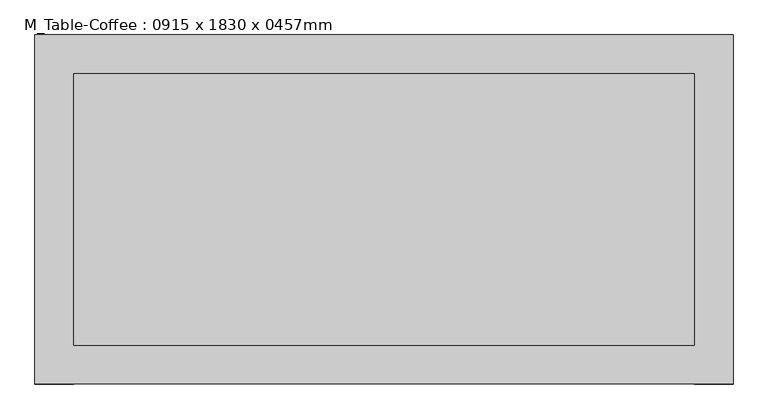
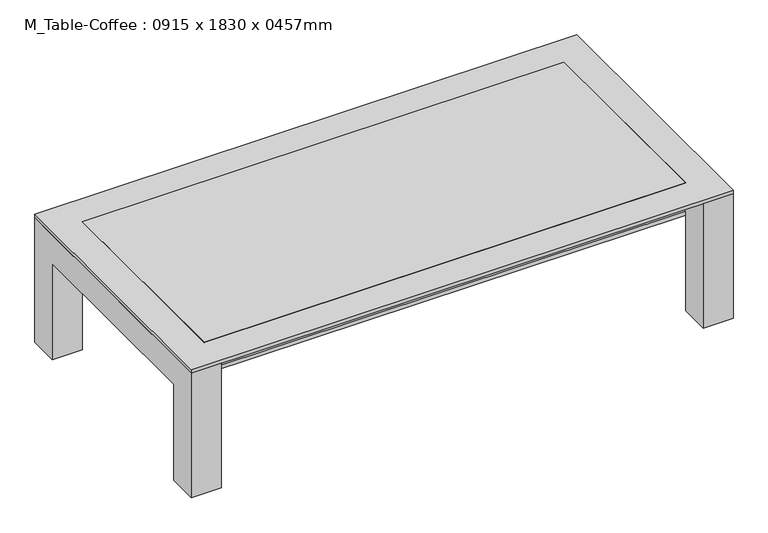
"""IFC4 building model written with IfcOpenShell, lengths in millimetres: furniture geometry, M_Table-Coffee : 0915 x 1830 x 0457mm."""

from ifc_helpers import new_model, si_unit, frame, origin, place, context, project, spatial, polyline, outline, extrude, source, transform, mapped, element, save


def m_table_coffee_0915_x_1830_x_0457mm_134cd960(model_context):
    return source(origin(), model_context, "Body", "SweptSolid", [
        extrude(outline(polyline([(831.6657667, 451.1110778), (831.6657667, -260.6889222), (-795.1342333, -260.6889222), (-795.1342333, 451.1110778), (831.6657667, 451.1110778)])), frame((0.0, 0.0, 342.7), z_axis=(0.0, 0.0, 1.0), x_axis=(1.0, 0.0, 0.0)), (0.0, 0.0, 1.0), 12.7),
        extrude(outline(polyline([(552.7110778, 0.0), (451.1110778, 0.0), (451.1110778, 342.7), (-260.6889222, 342.7), (-260.6889222, 0.0), (-362.2889222, 0.0), (-362.2889222, 444.3), (552.7110778, 444.3), (552.7110778, 0.0)])), frame((831.6657667, 0.0, 0.0), z_axis=(1.0, 0.0, 0.0), x_axis=(0.0, 1.0, 0.0)), (0.0, 0.0, 1.0), 101.6),
        extrude(outline(polyline([(552.7110778, 444.3), (552.7110778, 0.0), (451.1110778, 0.0), (451.1110778, 342.7), (-260.6889222, 342.7), (-260.6889222, 0.0), (-362.2889222, 0.0), (-362.2889222, 444.3), (552.7110778, 444.3)])), frame((-896.7342333, 0.0, 0.0), z_axis=(1.0, 0.0, 0.0), x_axis=(0.0, 1.0, 0.0)), (0.0, 0.0, 1.0), 101.6),
        extrude(outline(polyline([(831.6657667, 451.1110778), (831.6657667, -260.6889222), (-795.1342333, -260.6889222), (-795.1342333, 451.1110778), (831.6657667, 451.1110778)])), frame((0.0, 0.0, 444.3), z_axis=(0.0, 0.0, 1.0), x_axis=(1.0, 0.0, 0.0)), (0.0, 0.0, 1.0), 12.7),
        extrude(outline(polyline([(933.2657667, 552.7110778), (933.2657667, -362.2889222), (-896.7342333, -362.2889222), (-896.7342333, 552.7110778), (933.2657667, 552.7110778)]), holes=[polyline([(831.6657667, 451.1110778), (-795.1342333, 451.1110778), (-795.1342333, -260.6889222), (831.6657667, -260.6889222), (831.6657667, 451.1110778)])]), frame((0.0, 0.0, 444.3), z_axis=(0.0, 0.0, 1.0), x_axis=(1.0, 0.0, 0.0)), (0.0, 0.0, 1.0), 12.7),
    ])


if __name__ == "__main__":
    model = new_model("IFC4")
    model_context = context("Model", 3, world=origin())
    ifc_project = project(units=[si_unit("LENGTHUNIT", "METRE", prefix="MILLI")], contexts=[model_context])
    site = spatial("IfcSite", under=ifc_project)
    building = spatial("IfcBuilding", under=site)
    placement = place(None, origin())
    m_table_coffee_0915_x_1830_x_0457mm_shape = m_table_coffee_0915_x_1830_x_0457mm_134cd960(model_context)
    element("IfcFurniture", 1, ObjectType="M_Table-Coffee : 0915 x 1830 x 0457mm", at=placement, inside=building, context=model_context, shape_type="MappedRepresentation", body=[
        mapped(m_table_coffee_0915_x_1830_x_0457mm_shape, transform((0.0, 0.0, 0.0), x_axis=(1.0, 0.0, 0.0), y_axis=(0.0, 1.0, 0.0), z_axis=(0.0, 0.0, 1.0))),
    ])
    save(model, "model.ifc")
